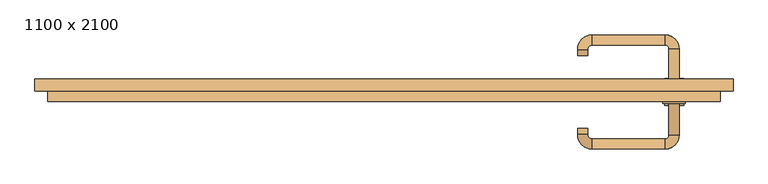
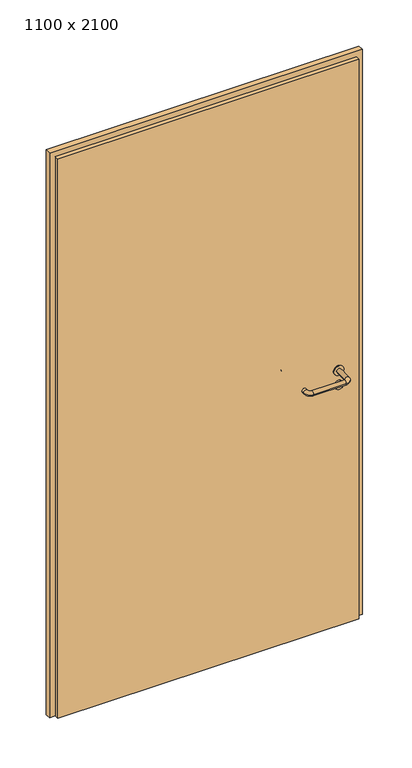
"""IFC4 building model written with IfcOpenShell, lengths in millimetres: door geometry, 1100 x 2100."""

from ifc_helpers import new_model, si_unit, point, frame, frame_2d, origin, origin_with_axes, place, context, project, spatial, polyline, circle_curve, ellipse_curve, trimmed, segment, composite_curve, outline, extrude, source, transform, mapped, element, save
from ifc_brep_helpers import plane_surface, cylinder_surface, revolved_surface, advanced_brep


def door_1100_x_2100_388cba18(model_context):
    return source(origin(), model_context, "Body", "SolidModel", [
        extrude(outline(composite_curve([segment(trimmed(circle_curve(frame_2d((897.3605726, 457.0)), 15.0), [point((897.3605726, 472.0))], [point((897.3605726, 442.0))], False, "CARTESIAN"), True, "CONTINUOUS"), segment(trimmed(circle_curve(frame_2d((897.3605726, 457.0)), 15.0), [point((897.3605726, 442.0))], [point((897.3605726, 472.0))], False, "CARTESIAN"), True, "CONTINUOUS")], self_intersect=False), holes=[composite_curve([segment(trimmed(circle_curve(frame_2d((892.5833211, 456.9398032)), 2.0), [point((892.5833211, 458.9398032))], [point((892.5833211, 454.9398032))], True, "CARTESIAN"), True, "CONTINUOUS"), segment(polyline([(892.5833211, 454.9398032), (902.5833211, 454.9398032)]), True, "CONTINUOUS"), segment(trimmed(circle_curve(frame_2d((902.5833211, 456.9398032)), 2.0), [point((902.5833211, 454.9398032))], [point((902.5833211, 458.9398032))], True, "CARTESIAN"), True, "CONTINUOUS"), segment(polyline([(902.5833211, 458.9398032), (892.5833211, 458.9398032)]), True, "CONTINUOUS")], self_intersect=False)]), frame((0.0, -31.35, 0.0), z_axis=(0.0, 1.0, 0.0), x_axis=(0.0, 0.0, 1.0)), (0.0, 0.0, 1.0), 6.35),
        extrude(outline(composite_curve([segment(trimmed(circle_curve(frame_2d((950.0, 457.0)), 17.526), [point((950.0, 474.526))], [point((950.0, 439.474))], False, "CARTESIAN"), True, "CONTINUOUS"), segment(trimmed(circle_curve(frame_2d((950.0, 457.0)), 17.526), [point((950.0, 439.474))], [point((950.0, 474.526))], False, "CARTESIAN"), True, "CONTINUOUS")], self_intersect=False)), frame((0.0, -28.175, 0.0), z_axis=(0.0, 1.0, 0.0), x_axis=(0.0, 0.0, 1.0)), (0.0, 0.0, 1.0), 3.175),
        advanced_brep(
        [(465.0, -25.0, 950.0), (449.0, -25.0, 950.0), (449.0, -78.0, 950.0), (465.0, -78.0, 950.0), (442.8578644, -84.1421356, 950.0), (442.8578644, -100.1421356, 950.0), (327.8578644, -84.1421356, 950.0), (327.8578644, -100.1421356, 950.0), (321.008622, -77.2928932, 950.0), (305.008622, -77.2928932, 950.0), (305.008622, -67.2928932, 950.0), (321.008622, -67.2928932, 950.0)],
        [
            (0, 1, circle_curve(frame((457.0, -25.0, 950.0), z_axis=(0.0, 1.0, 0.0), x_axis=(-1.0, 0.0, 0.0)), 8.0)),
            (1, 0, circle_curve(frame((457.0, -25.0, 950.0), z_axis=(0.0, 1.0, 0.0), x_axis=(-1.0, 0.0, 0.0)), 8.0)),
            (1, 2),
            (2, 3, circle_curve(frame((457.0, -78.0, 950.0), z_axis=(0.0, 1.0, 0.0), x_axis=(-1.0, 0.0, 0.0)), 8.0)),
            (3, 0),
            (3, 2, circle_curve(frame((457.0, -78.0, 950.0), z_axis=(0.0, 1.0, 0.0), x_axis=(-1.0, 0.0, 0.0)), 8.0)),
            (4, 5, circle_curve(frame((442.8578644, -92.1421356, 950.0), z_axis=(1.0, 0.0, 0.0), x_axis=(0.0, 1.0, 0.0)), 8.0)),
            (5, 3, circle_curve(frame((442.8578644, -78.0, 950.0), z_axis=(0.0, 0.0, 1.0), x_axis=(1.0, 0.0, 0.0)), 22.1421356)),
            (2, 4, circle_curve(frame((442.8578644, -78.0, 950.0), z_axis=(0.0, 0.0, -1.0), x_axis=(1.0, 0.0, 0.0)), 6.1421356)),
            (5, 4, circle_curve(frame((442.8578644, -92.1421356, 950.0), z_axis=(1.0, 0.0, 0.0), x_axis=(0.0, 1.0, 0.0)), 8.0)),
            (4, 6),
            (6, 7, circle_curve(frame((327.8578644, -92.1421356, 950.0), z_axis=(1.0, 0.0, 0.0), x_axis=(0.0, 1.0, 0.0)), 8.0)),
            (7, 5),
            (7, 6, circle_curve(frame((327.8578644, -92.1421356, 950.0), z_axis=(1.0, 0.0, 0.0), x_axis=(0.0, 1.0, 0.0)), 8.0)),
            (8, 9, circle_curve(frame((313.008622, -77.2928932, 950.0), z_axis=(0.0, -1.0, 0.0), x_axis=(1.0, 0.0, 0.0)), 8.0)),
            (9, 7, circle_curve(frame((327.8578644, -77.2928932, 950.0), z_axis=(0.0, 0.0, 1.0), x_axis=(0.0, -1.0, 0.0)), 22.8492424)),
            (6, 8, circle_curve(frame((327.8578644, -77.2928932, 950.0), z_axis=(0.0, 0.0, -1.0), x_axis=(0.0, -1.0, 0.0)), 6.8492424)),
            (9, 8, circle_curve(frame((313.008622, -77.2928932, 950.0), z_axis=(0.0, -1.0, 0.0), x_axis=(1.0, 0.0, 0.0)), 8.0)),
            (10, 11, circle_curve(frame((313.008622, -67.2928932, 950.0), z_axis=(0.0, 1.0, 0.0), x_axis=(1.0, 0.0, 0.0)), 8.0)),
            (11, 10, circle_curve(frame((313.008622, -67.2928932, 950.0), z_axis=(0.0, 1.0, 0.0), x_axis=(1.0, 0.0, 0.0)), 8.0)),
            (8, 11),
            (10, 9),
        ],
        [
            plane_surface(frame((457.0, -25.0, 0.0), z_axis=(0.0, 1.0, 0.0), x_axis=(0.0, 0.0, 1.0))),
            cylinder_surface(frame((457.0, -25.0, 950.0), z_axis=(0.0, 1.0, 0.0), x_axis=(-1.0, 0.0, 0.0)), 8.0),
            revolved_surface(trimmed(ellipse_curve(frame((457.0, -78.0, 950.0), z_axis=(0.0, -1.0, 0.0), x_axis=(-1.0, 0.0, 0.0)), 8.0, 8.0), [point((465.0, -78.0, 950.0))], [point((449.0, -78.0, 950.0))], True, "CARTESIAN"), (442.8578644, -78.0, 0.0), (0.0, 0.0, 1.0)),
            revolved_surface(trimmed(ellipse_curve(frame((457.0, -78.0, 950.0), z_axis=(0.0, -1.0, 0.0), x_axis=(-1.0, 0.0, 0.0)), 8.0, 8.0), [point((449.0, -78.0, 950.0))], [point((465.0, -78.0, 950.0))], True, "CARTESIAN"), (442.8578644, -78.0, 0.0), (0.0, 0.0, 1.0)),
            cylinder_surface(frame((442.8578644, -92.1421356, 950.0), z_axis=(1.0, 0.0, 0.0), x_axis=(0.0, 1.0, 0.0)), 8.0),
            revolved_surface(trimmed(ellipse_curve(frame((327.8578644, -92.1421356, 950.0), z_axis=(-1.0, 0.0, 0.0), x_axis=(0.0, 1.0, 0.0)), 8.0, 8.0), [point((327.8578644, -100.1421356, 950.0))], [point((327.8578644, -84.1421356, 950.0))], True, "CARTESIAN"), (327.8578644, -77.2928932, 0.0), (0.0, 0.0, 1.0)),
            revolved_surface(trimmed(ellipse_curve(frame((327.8578644, -92.1421356, 950.0), z_axis=(-1.0, 0.0, 0.0), x_axis=(0.0, 1.0, 0.0)), 8.0, 8.0), [point((327.8578644, -84.1421356, 950.0))], [point((327.8578644, -100.1421356, 950.0))], True, "CARTESIAN"), (327.8578644, -77.2928932, 0.0), (0.0, 0.0, 1.0)),
            plane_surface(frame((313.008622, -67.2928932, 0.0), z_axis=(0.0, 1.0, 0.0), x_axis=(0.0, 0.0, 1.0))),
            cylinder_surface(frame((313.008622, -77.2928932, 950.0), z_axis=(0.0, -1.0, 0.0), x_axis=(1.0, 0.0, 0.0)), 8.0),
        ],
        [
            (0, [[1, 2]]),
            (1, [[3, 4, 5, -2]]),
            (1, [[-5, 6, -3, -1]]),
            (2, [[7, 8, -4, 9]]),
            (3, [[10, -9, -6, -8]]),
            (4, [[11, 12, 13, -7]]),
            (4, [[-13, 14, -11, -10]]),
            (5, [[15, 16, -12, 17]]),
            (6, [[18, -17, -14, -16]]),
            (7, [[19, 20]]),
            (8, [[21, -19, 22, -15]]),
            (8, [[-22, -20, -21, -18]]),
        ],
    ),
        extrude(outline(composite_curve([segment(trimmed(circle_curve(frame_2d((0.0, -15.0)), 15.0), [point((0.0, -30.0))], [point((0.0, 0.0))], False, "CARTESIAN"), True, "CONTINUOUS"), segment(trimmed(circle_curve(frame_2d((0.0, -15.0)), 15.0), [point((0.0, 0.0))], [point((0.0, -30.0))], False, "CARTESIAN"), True, "CONTINUOUS")], self_intersect=False), holes=[composite_curve([segment(trimmed(circle_curve(frame_2d((4.7772515, -14.9398032)), 2.0), [point((4.7772515, -16.9398032))], [point((4.7772515, -12.9398032))], True, "CARTESIAN"), True, "CONTINUOUS"), segment(polyline([(4.7772515, -12.9398032), (-5.2227485, -12.9398032)]), True, "CONTINUOUS"), segment(trimmed(circle_curve(frame_2d((-5.2227485, -14.9398032)), 2.0), [point((-5.2227485, -12.9398032))], [point((-5.2227485, -16.9398032))], True, "CARTESIAN"), True, "CONTINUOUS"), segment(polyline([(-5.2227485, -16.9398032), (4.7772515, -16.9398032)]), True, "CONTINUOUS")], self_intersect=False)]), frame((442.0, 5.0, 897.3605726), z_axis=(1.8870575173328306e-12, 1.0, 0.0), x_axis=(0.0, 0.0, -1.0)), (0.0, 0.0, 1.0), 6.35),
        extrude(outline(composite_curve([segment(trimmed(circle_curve(frame_2d((0.0, -17.526)), 17.526), [point((0.0, -35.052))], [point((0.0, 0.0))], False, "CARTESIAN"), True, "CONTINUOUS"), segment(trimmed(circle_curve(frame_2d((0.0, -17.526)), 17.526), [point((0.0, 0.0))], [point((0.0, -35.052))], False, "CARTESIAN"), True, "CONTINUOUS")], self_intersect=False)), frame((439.474, 5.0, 950.0), z_axis=(1.8870575173328306e-12, 1.0, 0.0), x_axis=(0.0, 0.0, -1.0)), (0.0, 0.0, 1.0), 3.175),
        advanced_brep(
        [(465.0, 5.0, 950.0), (449.0, 5.0, 950.0), (465.0, 58.0, 950.0), (449.0, 58.0, 950.0), (442.8578644, 64.1421356, 950.0), (442.8578644, 80.1421356, 950.0), (327.8578644, 80.1421356, 950.0), (327.8578644, 64.1421356, 950.0), (321.008622, 57.2928932, 950.0), (305.008622, 57.2928932, 950.0), (305.008622, 47.2928932, 950.0), (321.008622, 47.2928932, 950.0)],
        [
            (0, 1, circle_curve(frame((457.0, 5.0, 950.0), z_axis=(-1.888672253512351e-12, -1.0, 0.0), x_axis=(-1.0, 1.888672253512351e-12, 0.0)), 8.0)),
            (1, 0, circle_curve(frame((457.0, 5.0, 950.0), z_axis=(-1.888672253512351e-12, -1.0, 0.0), x_axis=(-1.0, 1.888672253512351e-12, 0.0)), 8.0)),
            (0, 2),
            (2, 3, circle_curve(frame((457.0, 58.0, 950.0), z_axis=(-1.888672253512351e-12, -1.0, 0.0), x_axis=(-1.0, 1.888672253512351e-12, 0.0)), 8.0)),
            (3, 1),
            (3, 2, circle_curve(frame((457.0, 58.0, 950.0), z_axis=(-1.888672253512351e-12, -1.0, 0.0), x_axis=(-1.0, 1.888672253512351e-12, 0.0)), 8.0)),
            (4, 3, circle_curve(frame((442.8578644, 58.0, 950.0), z_axis=(0.0, 0.0, -1.0), x_axis=(1.0, -1.880717803715015e-12, 0.0)), 6.1421356)),
            (2, 5, circle_curve(frame((442.8578644, 58.0, 950.0), z_axis=(0.0, 0.0, 1.0), x_axis=(1.0, -1.880717803715015e-12, 0.0)), 22.1421356)),
            (5, 4, circle_curve(frame((442.8578644, 72.1421356, 950.0), z_axis=(1.0, -1.913702061528922e-12, 0.0), x_axis=(-1.913702061528922e-12, -1.0, 0.0)), 8.0)),
            (4, 5, circle_curve(frame((442.8578644, 72.1421356, 950.0), z_axis=(1.0, -1.913702061528922e-12, 0.0), x_axis=(-1.913702061528922e-12, -1.0, 0.0)), 8.0)),
            (5, 6),
            (6, 7, circle_curve(frame((327.8578644, 72.1421356, 950.0), z_axis=(1.0, -1.913719828541269e-12, 0.0), x_axis=(-1.913719828541269e-12, -1.0, 0.0)), 8.0)),
            (7, 4),
            (7, 6, circle_curve(frame((327.8578644, 72.1421356, 950.0), z_axis=(1.0, -1.913719828541269e-12, 0.0), x_axis=(-1.913719828541269e-12, -1.0, 0.0)), 8.0)),
            (8, 7, circle_curve(frame((327.8578644, 57.2928932, 950.0), z_axis=(0.0, 0.0, -1.0), x_axis=(1.9120873253494017e-12, 1.0, 0.0)), 6.8492424)),
            (6, 9, circle_curve(frame((327.8578644, 57.2928932, 950.0), z_axis=(0.0, 0.0, 1.0), x_axis=(1.9120873253494017e-12, 1.0, 0.0)), 22.8492424)),
            (9, 8, circle_curve(frame((313.008622, 57.2928932, 950.0), z_axis=(1.890448610351751e-12, 1.0, 0.0), x_axis=(1.0, -1.890448610351751e-12, 0.0)), 8.0)),
            (8, 9, circle_curve(frame((313.008622, 57.2928932, 950.0), z_axis=(1.8888942981172756e-12, 1.0, 0.0), x_axis=(1.0, -1.8888942981172756e-12, 0.0)), 8.0)),
            (10, 11, circle_curve(frame((313.008622, 47.2928932, 950.0), z_axis=(-1.8903642334018795e-12, -1.0, 0.0), x_axis=(1.0, -1.8903642334018795e-12, 0.0)), 8.0)),
            (11, 10, circle_curve(frame((313.008622, 47.2928932, 950.0), z_axis=(-1.8903642334018795e-12, -1.0, 0.0), x_axis=(1.0, -1.8903642334018795e-12, 0.0)), 8.0)),
            (9, 10),
            (11, 8),
        ],
        [
            plane_surface(frame((457.0, 5.0, 0.0), z_axis=(-1.8870575173328306e-12, -1.0, 0.0), x_axis=(0.0, 0.0, 1.0))),
            cylinder_surface(frame((457.0, 5.0, 950.0), z_axis=(-1.888672253512351e-12, -1.0, 0.0), x_axis=(-1.0, 1.888672253512351e-12, 0.0)), 8.0),
            revolved_surface(trimmed(ellipse_curve(frame((457.0, 58.0, 950.0), z_axis=(-1.8823325398945356e-12, -1.0, 0.0), x_axis=(-1.0, 1.8823325398945356e-12, 0.0)), 8.0, 8.0), [point((465.0, 58.0, 950.0))], [point((449.0, 58.0, 950.0))], True, "CARTESIAN"), (442.8578644, 58.0, 0.0), (0.0, 0.0, 1.0)),
            revolved_surface(trimmed(ellipse_curve(frame((457.0, 58.0, 950.0), z_axis=(-1.8823325398945356e-12, -1.0, 0.0), x_axis=(-1.0, 1.8823325398945356e-12, 0.0)), 8.0, 8.0), [point((449.0, 58.0, 950.0))], [point((465.0, 58.0, 950.0))], True, "CARTESIAN"), (442.8578644, 58.0, 0.0), (0.0, 0.0, 1.0)),
            cylinder_surface(frame((442.8578644, 72.1421356, 950.0), z_axis=(1.0, -1.913719828541269e-12, 0.0), x_axis=(-1.913719828541269e-12, -1.0, 0.0)), 8.0),
            revolved_surface(trimmed(ellipse_curve(frame((327.8578644, 72.1421356, 950.0), z_axis=(1.0, -1.913702061528922e-12, 0.0), x_axis=(-1.913702061528922e-12, -1.0, 0.0)), 8.0, 8.0), [point((327.8578644, 80.1421356, 950.0))], [point((327.8578644, 64.1421356, 950.0))], True, "CARTESIAN"), (327.8578644, 57.2928932, 0.0), (0.0, 0.0, 1.0)),
            revolved_surface(trimmed(ellipse_curve(frame((327.8578644, 72.1421356, 950.0), z_axis=(1.0, -1.913702061528922e-12, 0.0), x_axis=(-1.913702061528922e-12, -1.0, 0.0)), 8.0, 8.0), [point((327.8578644, 64.1421356, 950.0))], [point((327.8578644, 80.1421356, 950.0))], True, "CARTESIAN"), (327.8578644, 57.2928932, 0.0), (0.0, 0.0, 1.0)),
            plane_surface(frame((313.008622, 47.2928932, 0.0), z_axis=(-1.8887494972223595e-12, -1.0, 0.0), x_axis=(0.0, 0.0, 1.0))),
            cylinder_surface(frame((313.008622, 57.2928932, 950.0), z_axis=(1.8903642334018795e-12, 1.0, 0.0), x_axis=(1.0, -1.8903642334018795e-12, 0.0)), 8.0),
        ],
        [
            (0, [[1, 2]]),
            (1, [[-1, 3, 4, 5]]),
            (1, [[-2, -5, 6, -3]]),
            (2, [[7, -4, 8, 9]]),
            (3, [[-8, -6, -7, 10]]),
            (4, [[-9, 11, 12, 13]]),
            (4, [[-10, -13, 14, -11]]),
            (5, [[15, -12, 16, 17]]),
            (6, [[-16, -14, -15, 18]]),
            (7, [[19, 20]]),
            (8, [[-17, 21, -20, 22]]),
            (8, [[-18, -22, -19, -21]]),
        ],
    ),
        extrude(outline(polyline([(2080.0, 530.0), (0.0, 530.0), (0.0, 550.0), (2100.0, 550.0), (2100.0, -550.0), (0.0, -550.0), (0.0, -530.0), (2080.0, -530.0), (2080.0, 530.0)])), frame((0.0, -9.0, 0.0), z_axis=(0.0, 1.0, 0.0), x_axis=(0.0, 0.0, 1.0)), (0.0, 0.0, 1.0), 19.0),
        extrude(outline(polyline([(-530.0, 5.0), (530.0, 5.0), (530.0, -25.0), (-530.0, -25.0), (-530.0, 5.0)])), origin_with_axes(), (0.0, 0.0, 1.0), 2080.0),
    ])


if __name__ == "__main__":
    model = new_model("IFC4")
    model_context = context("Model", 3, world=origin())
    ifc_project = project(units=[si_unit("LENGTHUNIT", "METRE", prefix="MILLI")], contexts=[model_context])
    site = spatial("IfcSite", under=ifc_project)
    building = spatial("IfcBuilding", under=site)
    placement = place(None, origin())
    door_1100_x_2100_shape = door_1100_x_2100_388cba18(model_context)
    element("IfcDoor", 1, ObjectType="1100 x 2100", at=placement, inside=building, context=model_context, shape_type="MappedRepresentation", body=[
        mapped(door_1100_x_2100_shape, transform((0.0, 0.0, 0.0), x_axis=(1.0, 0.0, 0.0), y_axis=(0.0, 1.0, 0.0), z_axis=(0.0, 0.0, 1.0))),
    ])
    save(model, "model.ifc")
